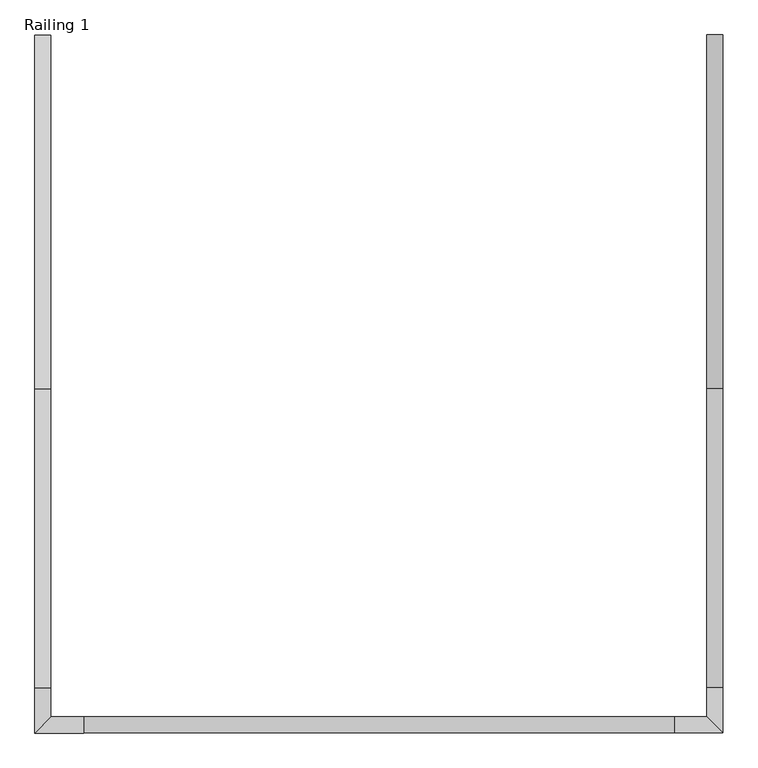
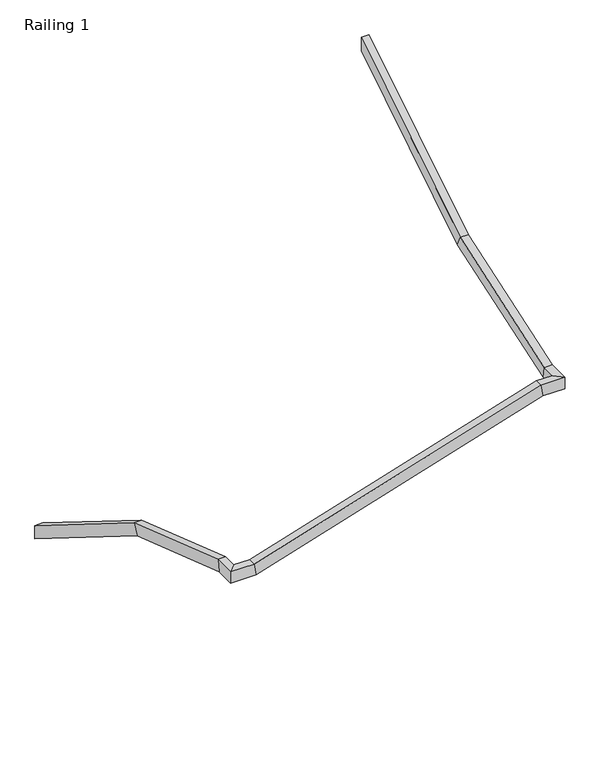
"""IFC4 building model written with IfcOpenShell, lengths in millimetres: railing geometry, Railing 1."""

import ifcopenshell
import ifcopenshell.guid

model = None  # the IFC model being written
_history = None  # IfcOwnerHistory: only IFC2X3 demands one
_inside = {}  # id of a spatial element -> (the spatial element, [elements in it])
_under = {}  # id of a project, library or spatial element -> (it, [spatial elements below it])
_declared = {}  # id of a project -> (the project, [libraries it declares])
_typed = {}  # id of a type object -> (the type object, [elements of that type])
_made_of = {}  # id of a material, layer set ... -> (it, [elements and type objects made of it])


def new_model(schema):
    """Start an empty IFC model of exactly this schema.

    Asked for "IFC4X3", IfcOpenShell would pick the latest addendum, in which some entities
    have other attributes; the version numbers below select the first issue.
    IFC2X3 requires an IfcOwnerHistory on every rooted entity: one is made here for all.
    """
    global model, _history
    if schema == "IFC4X3":
        model = ifcopenshell.file(schema_version=(4, 3, 0, 0))
    else:
        model = ifcopenshell.file(schema=schema)
    _inside.clear()
    _under.clear()
    _declared.clear()
    _typed.clear()
    _made_of.clear()
    _history = None
    if model.schema == "IFC2X3":
        org = make("IfcOrganization", Name="unknown")
        user = make(
            "IfcPersonAndOrganization",
            ThePerson=make("IfcPerson", FamilyName="unknown"),
            TheOrganization=org,
        )
        app = make(
            "IfcApplication",
            ApplicationDeveloper=org,
            Version="unknown",
            ApplicationFullName="unknown",
            ApplicationIdentifier="unknown",
        )
        _history = make(
            "IfcOwnerHistory",
            OwningUser=user,
            OwningApplication=app,
            ChangeAction="ADDED",
            CreationDate=0,
        )
    return model


def make(cls, **values):
    """One entity of the class cls with the attributes given. An attribute that is None is left unset."""
    return model.create_entity(
        cls, **{name: value for name, value in values.items() if value is not None}
    )


def rooted(cls, **values):
    """An entity with a GlobalId (a new one), such as an element, a storey or a relation."""
    return make(cls, GlobalId=ifcopenshell.guid.new(), OwnerHistory=_history, **values)


def si_unit(unit_type, name, prefix=None):
    """IfcSIUnit, for example si_unit("LENGTHUNIT", "METRE", prefix="MILLI")."""
    return make("IfcSIUnit", UnitType=unit_type, Prefix=prefix, Name=name)


def assignment(units):
    """IfcUnitAssignment: the units of a project."""
    return None if units is None else make("IfcUnitAssignment", Units=units)


def point(xyz):
    """IfcCartesianPoint."""
    return None if xyz is None else make("IfcCartesianPoint", Coordinates=xyz)


def direction(xyz):
    """IfcDirection."""
    return None if xyz is None else make("IfcDirection", DirectionRatios=xyz)


def frame(location, z_axis=None, x_axis=None):
    """IfcAxis2Placement3D, a coordinate frame: its origin and axes. An axis left out is left unset."""
    return make(
        "IfcAxis2Placement3D",
        Location=point(location),
        Axis=direction(z_axis),
        RefDirection=direction(x_axis),
    )


def origin():
    """The frame at (0, 0, 0) with its axes left unset."""
    return frame((0.0, 0.0, 0.0))


def place(relative_to, where):
    """IfcLocalPlacement: puts the frame where relative to a parent placement (None: the world)."""
    return make(
        "IfcLocalPlacement", PlacementRelTo=relative_to, RelativePlacement=where
    )


def context(
    kind, dimensions, precision=None, world=None, true_north=None, identifier=None
):
    """IfcGeometricRepresentationContext, for example the 3D "Model" context."""
    return make(
        "IfcGeometricRepresentationContext",
        ContextIdentifier=identifier,
        ContextType=kind,
        CoordinateSpaceDimension=dimensions,
        Precision=precision,
        WorldCoordinateSystem=world,
        TrueNorth=true_north,
    )


def project(units=None, contexts=None):
    """IfcProject with its units and contexts."""
    return rooted(
        "IfcProject",
        Name="project",
        RepresentationContexts=contexts,
        UnitsInContext=assignment(units),
    )


def spatial(cls, under=None, at=None, **own):
    """A site, building, storey or space (cls), placed at a placement, below another one or the project."""
    s = rooted(cls, ObjectPlacement=at, **own)
    if under is not None:
        _under.setdefault(under.id(), (under, []))[1].append(s)
    return s


def faces_of(points, faces, orient=None, outer=None):
    """IfcFace entities. A face is a list of loops; a loop is a list of indices into points, from 0.

    orient and outer hold one flag for each loop. By default every Orientation is true, the
    first loop of a face is its IfcFaceOuterBound and the others are IfcFaceBound.
    """
    made = []
    for i, loops in enumerate(faces):
        bounds = []
        for j, loop in enumerate(loops):
            is_outer = j == 0 if outer is None else outer[i][j]
            bounds.append(
                make(
                    "IfcFaceOuterBound" if is_outer else "IfcFaceBound",
                    Bound=make("IfcPolyLoop", Polygon=[points[k] for k in loop]),
                    Orientation=True if orient is None else orient[i][j],
                )
            )
        made.append(make("IfcFace", Bounds=bounds))
    return made


def faceted_brep(points, faces, orient=None, outer=None, voids=None):
    """IfcFacetedBrep: a solid bounded by flat faces; with voids (closed shells), ...WithVoids."""
    shared = [point(p) for p in points]
    hull = make("IfcClosedShell", CfsFaces=faces_of(shared, faces, orient, outer))
    if voids is None:
        return make("IfcFacetedBrep", Outer=hull)
    return make(
        "IfcFacetedBrepWithVoids",
        Outer=hull,
        Voids=[
            make(cls, CfsFaces=faces_of(shared, fs, o, b)) for cls, fs, o, b in voids
        ],
    )


def shape(context_of_items, identifier, shape_type, items):
    """IfcShapeRepresentation: the items that make up one representation, for example the "Body"."""
    return make(
        "IfcShapeRepresentation",
        ContextOfItems=context_of_items,
        RepresentationIdentifier=identifier,
        RepresentationType=shape_type,
        Items=items,
    )


def source(mapping_origin, context_of_items, identifier, shape_type, items):
    """IfcRepresentationMap: a shape defined once, which mapped items show again and again."""
    return make(
        "IfcRepresentationMap",
        MappingOrigin=mapping_origin,
        MappedRepresentation=shape(context_of_items, identifier, shape_type, items),
    )


def transform(
    local_origin,
    x_axis=None,
    y_axis=None,
    z_axis=None,
    scale=None,
    scale2=None,
    scale3=None,
    uniform=True,
):
    """IfcCartesianTransformationOperator3D, or its non-uniform kind. x_axis, y_axis, z_axis: its Axis1, 2, 3."""
    if uniform:
        return make(
            "IfcCartesianTransformationOperator3D",
            Axis1=direction(x_axis),
            Axis2=direction(y_axis),
            LocalOrigin=point(local_origin),
            Scale=scale,
            Axis3=direction(z_axis),
        )
    return make(
        "IfcCartesianTransformationOperator3DnonUniform",
        Axis1=direction(x_axis),
        Axis2=direction(y_axis),
        LocalOrigin=point(local_origin),
        Scale=scale,
        Axis3=direction(z_axis),
        Scale2=scale2,
        Scale3=scale3,
    )


def mapped(mapping_source, mapping_target):
    """IfcMappedItem: shows the shape of a source again, moved by a transform."""
    return make(
        "IfcMappedItem", MappingSource=mapping_source, MappingTarget=mapping_target
    )


def made_of(thing, what):
    """Note that an element or type object is made of a material, layer set ...; save() writes the relation."""
    if what is not None:
        _made_of.setdefault(what.id(), (what, []))[1].append(thing)
    return thing


def element(
    cls,
    number,
    at=None,
    inside=None,
    cuts=None,
    type_object=None,
    material=None,
    context=None,
    identifier="Body",
    shape_type=None,
    held_by="IfcProductDefinitionShape",
    body=None,
    shapes=None,
    **own,
):
    """One element of the class cls, such as IfcWall. Its Tag is "e" and its number.

    at: its placement. inside: the storey or other place that contains it. cuts: it is an
    opening in that element (IfcRelVoidsElement). A single representation is given by context,
    identifier, shape_type and body (its items); several are given by shapes. held_by: the class
    of the entity that holds the representations. save() writes the other relations.
    """
    e = rooted(cls, Tag="e%d" % number, ObjectPlacement=at, **own)
    if body is not None:
        shapes = [shape(context, identifier, shape_type, body)]
    if shapes is not None:
        e.Representation = make(held_by, Representations=shapes)
    if inside is not None:
        _inside.setdefault(inside.id(), (inside, []))[1].append(e)
    if cuts is not None:
        rooted(
            "IfcRelVoidsElement", RelatingBuildingElement=cuts, RelatedOpeningElement=e
        )
    if type_object is not None:
        _typed.setdefault(type_object.id(), (type_object, []))[1].append(e)
    return made_of(e, material)


def aggregate(whole, parts):
    """IfcRelAggregates: a whole, such as a stair, and the parts it consists of."""
    return rooted("IfcRelAggregates", RelatingObject=whole, RelatedObjects=parts)


def save(model, path):
    """Write the relations noted so far, then the file.

    IfcRelAggregates (storeys below a building ...), IfcRelContainedInSpatialStructure (elements
    in a storey), IfcRelDefinesByType, IfcRelAssociatesMaterial and IfcRelDeclares: one each for
    every whole, place, type object, material and project.
    """
    for whole, parts in _under.values():
        aggregate(whole, parts)
    for where, things in _inside.values():
        rooted(
            "IfcRelContainedInSpatialStructure",
            RelatedElements=things,
            RelatingStructure=where,
        )
    for kind, things in _typed.values():
        rooted("IfcRelDefinesByType", RelatedObjects=things, RelatingType=kind)
    for what, things in _made_of.values():
        rooted("IfcRelAssociatesMaterial", RelatedObjects=things, RelatingMaterial=what)
    for by, libraries in _declared.values():
        rooted("IfcRelDeclares", RelatingContext=by, RelatedDefinitions=libraries)
    model.write(path)


def railing_1_36107aaf(model_context):
    return source(origin(), model_context, "Body", "Brep", [
        faceted_brep([(1079.3598796, 3331.8583751, 1088.5714286), (1079.3598796, 3331.8583751, 998.7782586), (1028.5598796, 3331.8583751, 998.7782586), (1028.5598796, 3331.8583751, 1088.5714286), (1079.3598796, 2214.2583751, 1785.2571429), (1079.3598796, 2181.3958468, 1715.9497048), (1028.5598796, 2181.3958468, 1715.9497048), (1028.5598796, 2214.2583751, 1785.2571429), (1079.3598796, 1268.7760734, 2107.0894444), (1079.3598796, 1256.1625857, 2030.8894444), (1028.5598796, 1256.1625857, 2030.8894444), (1028.5598796, 1268.7760734, 2107.0894444), (1079.3598796, 1177.1384152, 2107.0894444), (1079.3598796, 1177.1384152, 2030.8894444), (1028.5598796, 1126.3384152, 2030.8894444), (1028.5598796, 1126.3384152, 2107.0894444), (1183.1671569, 1177.1384152, 2107.0894444), (1194.6478407, 1177.1384152, 2030.8894444), (1194.6478407, 1126.3384152, 2030.8894444), (1183.1671569, 1126.3384152, 2107.0894444), (3049.7925222, 1177.1384152, 2682.6248413), (3061.273206, 1177.1384152, 2606.4248413), (3061.273206, 1126.3384152, 2606.4248413), (3049.7925222, 1126.3384152, 2682.6248413), (3153.5997994, 1177.1384152, 2682.6248413), (3153.5997994, 1177.1384152, 2606.4248413), (3204.3997994, 1126.3384152, 2606.4248413), (3204.3997994, 1126.3384152, 2682.6248413), (3153.5997994, 1268.7760734, 2682.6248413), (3153.5997994, 1281.3895612, 2606.4248413), (3204.3997994, 1281.3895612, 2606.4248413), (3204.3997994, 1268.7760734, 2682.6248413), (3153.5997994, 2214.2583751, 3004.4571429), (3153.5997994, 2247.1179632, 2935.148704), (3204.3997994, 2247.1179632, 2935.148704), (3204.3997994, 2214.2583751, 3004.4571429), (3153.5997994, 3332.058687, 3701.1428571), (3204.3997994, 3332.058687, 3701.1428571), (3204.3997994, 3332.058687, 3611.3541899), (3153.5997994, 3332.058687, 3611.3541899)], [[[0, 1, 2, 3]], [[1, 0, 4, 5]], [[2, 1, 5, 6]], [[3, 2, 6, 7]], [[0, 3, 7, 4]], [[5, 4, 8, 9]], [[6, 5, 9, 10]], [[7, 6, 10, 11]], [[4, 7, 11, 8]], [[9, 8, 12, 13]], [[10, 9, 13, 14]], [[11, 10, 14, 15]], [[8, 11, 15, 12]], [[13, 12, 16, 17]], [[14, 13, 17, 18]], [[15, 14, 18, 19]], [[12, 15, 19, 16]], [[17, 16, 20, 21]], [[18, 17, 21, 22]], [[19, 18, 22, 23]], [[16, 19, 23, 20]], [[21, 20, 24, 25]], [[22, 21, 25, 26]], [[23, 22, 26, 27]], [[20, 23, 27, 24]], [[25, 24, 28, 29]], [[26, 25, 29, 30]], [[27, 26, 30, 31]], [[24, 27, 31, 28]], [[29, 28, 32, 33]], [[30, 29, 33, 34]], [[31, 30, 34, 35]], [[28, 31, 35, 32]], [[36, 37, 38, 39]], [[33, 32, 36, 39]], [[34, 33, 39, 38]], [[35, 34, 38, 37]], [[32, 35, 37, 36]]]),
    ])


if __name__ == "__main__":
    model = new_model("IFC4")
    model_context = context("Model", 3, world=origin())
    ifc_project = project(units=[si_unit("LENGTHUNIT", "METRE", prefix="MILLI")], contexts=[model_context])
    site = spatial("IfcSite", under=ifc_project)
    building = spatial("IfcBuilding", under=site)
    placement = place(None, origin())
    railing_1_shape = railing_1_36107aaf(model_context)
    element("IfcRailing", 1, ObjectType="Railing 1", at=placement, inside=building, context=model_context, shape_type="MappedRepresentation", body=[
        mapped(railing_1_shape, transform((0.0, 0.0, 0.0), x_axis=(1.0, 0.0, 0.0), y_axis=(0.0, 1.0, 0.0), z_axis=(0.0, 0.0, 1.0))),
    ])
    save(model, "model.ifc")
